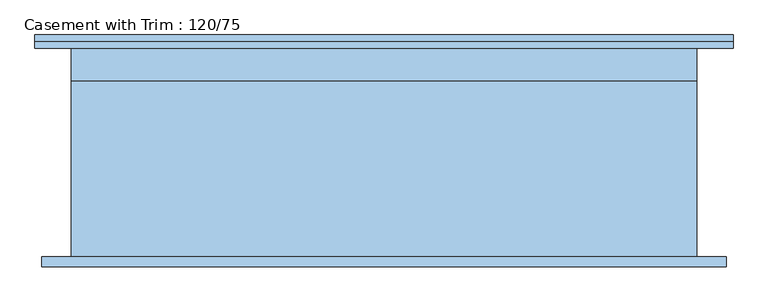
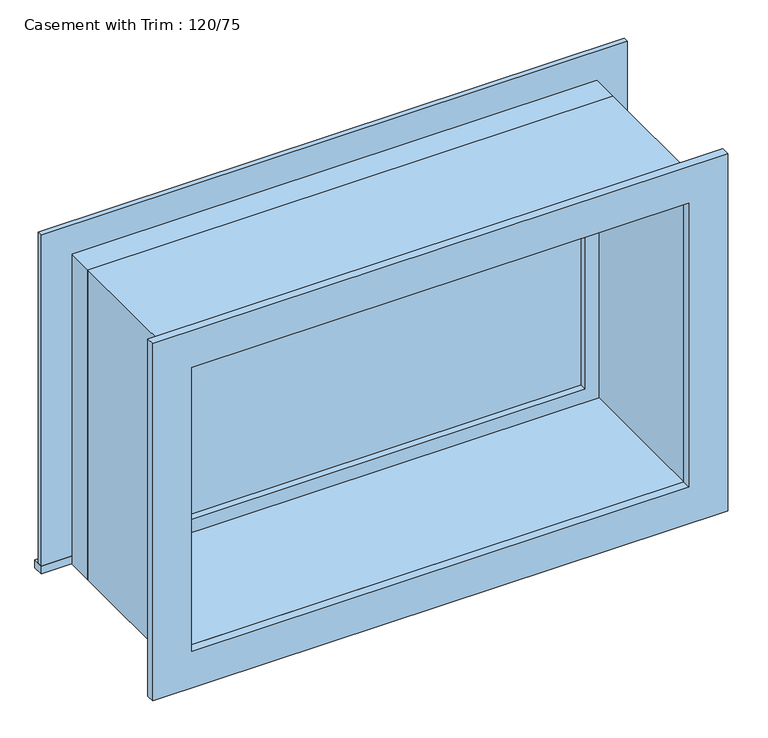
"""IFC4 building model written with IfcOpenShell, lengths in millimetres: window geometry, Casement with Trim : 120/75."""

import ifcopenshell
import ifcopenshell.guid

model = None  # the IFC model being written
_history = None  # IfcOwnerHistory: only IFC2X3 demands one
_inside = {}  # id of a spatial element -> (the spatial element, [elements in it])
_under = {}  # id of a project, library or spatial element -> (it, [spatial elements below it])
_declared = {}  # id of a project -> (the project, [libraries it declares])
_typed = {}  # id of a type object -> (the type object, [elements of that type])
_made_of = {}  # id of a material, layer set ... -> (it, [elements and type objects made of it])


def new_model(schema):
    """Start an empty IFC model of exactly this schema.

    Asked for "IFC4X3", IfcOpenShell would pick the latest addendum, in which some entities
    have other attributes; the version numbers below select the first issue.
    IFC2X3 requires an IfcOwnerHistory on every rooted entity: one is made here for all.
    """
    global model, _history
    if schema == "IFC4X3":
        model = ifcopenshell.file(schema_version=(4, 3, 0, 0))
    else:
        model = ifcopenshell.file(schema=schema)
    _inside.clear()
    _under.clear()
    _declared.clear()
    _typed.clear()
    _made_of.clear()
    _history = None
    if model.schema == "IFC2X3":
        org = make("IfcOrganization", Name="unknown")
        user = make(
            "IfcPersonAndOrganization",
            ThePerson=make("IfcPerson", FamilyName="unknown"),
            TheOrganization=org,
        )
        app = make(
            "IfcApplication",
            ApplicationDeveloper=org,
            Version="unknown",
            ApplicationFullName="unknown",
            ApplicationIdentifier="unknown",
        )
        _history = make(
            "IfcOwnerHistory",
            OwningUser=user,
            OwningApplication=app,
            ChangeAction="ADDED",
            CreationDate=0,
        )
    return model


def make(cls, **values):
    """One entity of the class cls with the attributes given. An attribute that is None is left unset."""
    return model.create_entity(
        cls, **{name: value for name, value in values.items() if value is not None}
    )


def rooted(cls, **values):
    """An entity with a GlobalId (a new one), such as an element, a storey or a relation."""
    return make(cls, GlobalId=ifcopenshell.guid.new(), OwnerHistory=_history, **values)


def si_unit(unit_type, name, prefix=None):
    """IfcSIUnit, for example si_unit("LENGTHUNIT", "METRE", prefix="MILLI")."""
    return make("IfcSIUnit", UnitType=unit_type, Prefix=prefix, Name=name)


def assignment(units):
    """IfcUnitAssignment: the units of a project."""
    return None if units is None else make("IfcUnitAssignment", Units=units)


def point(xyz):
    """IfcCartesianPoint."""
    return None if xyz is None else make("IfcCartesianPoint", Coordinates=xyz)


def direction(xyz):
    """IfcDirection."""
    return None if xyz is None else make("IfcDirection", DirectionRatios=xyz)


def frame(location, z_axis=None, x_axis=None):
    """IfcAxis2Placement3D, a coordinate frame: its origin and axes. An axis left out is left unset."""
    return make(
        "IfcAxis2Placement3D",
        Location=point(location),
        Axis=direction(z_axis),
        RefDirection=direction(x_axis),
    )


def origin():
    """The frame at (0, 0, 0) with its axes left unset."""
    return frame((0.0, 0.0, 0.0))


def place(relative_to, where):
    """IfcLocalPlacement: puts the frame where relative to a parent placement (None: the world)."""
    return make(
        "IfcLocalPlacement", PlacementRelTo=relative_to, RelativePlacement=where
    )


def context(
    kind, dimensions, precision=None, world=None, true_north=None, identifier=None
):
    """IfcGeometricRepresentationContext, for example the 3D "Model" context."""
    return make(
        "IfcGeometricRepresentationContext",
        ContextIdentifier=identifier,
        ContextType=kind,
        CoordinateSpaceDimension=dimensions,
        Precision=precision,
        WorldCoordinateSystem=world,
        TrueNorth=true_north,
    )


def project(units=None, contexts=None):
    """IfcProject with its units and contexts."""
    return rooted(
        "IfcProject",
        Name="project",
        RepresentationContexts=contexts,
        UnitsInContext=assignment(units),
    )


def spatial(cls, under=None, at=None, **own):
    """A site, building, storey or space (cls), placed at a placement, below another one or the project."""
    s = rooted(cls, ObjectPlacement=at, **own)
    if under is not None:
        _under.setdefault(under.id(), (under, []))[1].append(s)
    return s


def polyline(points):
    """IfcPolyline through the points."""
    return make("IfcPolyline", Points=[point(p) for p in points])


def outline(outer, holes=None, kind="AREA"):
    """IfcArbitraryClosedProfileDef: a profile drawn as a closed curve; with holes, ...WithVoids."""
    if holes is None:
        return make("IfcArbitraryClosedProfileDef", ProfileType=kind, OuterCurve=outer)
    return make(
        "IfcArbitraryProfileDefWithVoids",
        ProfileType=kind,
        OuterCurve=outer,
        InnerCurves=holes,
    )


def extrude(swept, where, along, depth):
    """IfcExtrudedAreaSolid: the profile swept, set in the frame where, extruded along a direction by depth."""
    return make(
        "IfcExtrudedAreaSolid",
        SweptArea=swept,
        Position=where,
        ExtrudedDirection=direction(along),
        Depth=depth,
    )


def shape(context_of_items, identifier, shape_type, items):
    """IfcShapeRepresentation: the items that make up one representation, for example the "Body"."""
    return make(
        "IfcShapeRepresentation",
        ContextOfItems=context_of_items,
        RepresentationIdentifier=identifier,
        RepresentationType=shape_type,
        Items=items,
    )


def source(mapping_origin, context_of_items, identifier, shape_type, items):
    """IfcRepresentationMap: a shape defined once, which mapped items show again and again."""
    return make(
        "IfcRepresentationMap",
        MappingOrigin=mapping_origin,
        MappedRepresentation=shape(context_of_items, identifier, shape_type, items),
    )


def transform(
    local_origin,
    x_axis=None,
    y_axis=None,
    z_axis=None,
    scale=None,
    scale2=None,
    scale3=None,
    uniform=True,
):
    """IfcCartesianTransformationOperator3D, or its non-uniform kind. x_axis, y_axis, z_axis: its Axis1, 2, 3."""
    if uniform:
        return make(
            "IfcCartesianTransformationOperator3D",
            Axis1=direction(x_axis),
            Axis2=direction(y_axis),
            LocalOrigin=point(local_origin),
            Scale=scale,
            Axis3=direction(z_axis),
        )
    return make(
        "IfcCartesianTransformationOperator3DnonUniform",
        Axis1=direction(x_axis),
        Axis2=direction(y_axis),
        LocalOrigin=point(local_origin),
        Scale=scale,
        Axis3=direction(z_axis),
        Scale2=scale2,
        Scale3=scale3,
    )


def mapped(mapping_source, mapping_target):
    """IfcMappedItem: shows the shape of a source again, moved by a transform."""
    return make(
        "IfcMappedItem", MappingSource=mapping_source, MappingTarget=mapping_target
    )


def made_of(thing, what):
    """Note that an element or type object is made of a material, layer set ...; save() writes the relation."""
    if what is not None:
        _made_of.setdefault(what.id(), (what, []))[1].append(thing)
    return thing


def element(
    cls,
    number,
    at=None,
    inside=None,
    cuts=None,
    type_object=None,
    material=None,
    context=None,
    identifier="Body",
    shape_type=None,
    held_by="IfcProductDefinitionShape",
    body=None,
    shapes=None,
    **own,
):
    """One element of the class cls, such as IfcWall. Its Tag is "e" and its number.

    at: its placement. inside: the storey or other place that contains it. cuts: it is an
    opening in that element (IfcRelVoidsElement). A single representation is given by context,
    identifier, shape_type and body (its items); several are given by shapes. held_by: the class
    of the entity that holds the representations. save() writes the other relations.
    """
    e = rooted(cls, Tag="e%d" % number, ObjectPlacement=at, **own)
    if body is not None:
        shapes = [shape(context, identifier, shape_type, body)]
    if shapes is not None:
        e.Representation = make(held_by, Representations=shapes)
    if inside is not None:
        _inside.setdefault(inside.id(), (inside, []))[1].append(e)
    if cuts is not None:
        rooted(
            "IfcRelVoidsElement", RelatingBuildingElement=cuts, RelatedOpeningElement=e
        )
    if type_object is not None:
        _typed.setdefault(type_object.id(), (type_object, []))[1].append(e)
    return made_of(e, material)


def aggregate(whole, parts):
    """IfcRelAggregates: a whole, such as a stair, and the parts it consists of."""
    return rooted("IfcRelAggregates", RelatingObject=whole, RelatedObjects=parts)


def save(model, path):
    """Write the relations noted so far, then the file.

    IfcRelAggregates (storeys below a building ...), IfcRelContainedInSpatialStructure (elements
    in a storey), IfcRelDefinesByType, IfcRelAssociatesMaterial and IfcRelDeclares: one each for
    every whole, place, type object, material and project.
    """
    for whole, parts in _under.values():
        aggregate(whole, parts)
    for where, things in _inside.values():
        rooted(
            "IfcRelContainedInSpatialStructure",
            RelatedElements=things,
            RelatingStructure=where,
        )
    for kind, things in _typed.values():
        rooted("IfcRelDefinesByType", RelatedObjects=things, RelatingType=kind)
    for what, things in _made_of.values():
        rooted("IfcRelAssociatesMaterial", RelatedObjects=things, RelatingMaterial=what)
    for by, libraries in _declared.values():
        rooted("IfcRelDeclares", RelatingContext=by, RelatedDefinitions=libraries)
    model.write(path)


def casement_with_trim_120_75_effea6a0(model_context):
    return source(origin(), model_context, "Body", "SweptSolid", [
        extrude(outline(polyline([(-669.85, 225.4), (669.85, 225.4), (669.85, 200.0), (-669.85, 200.0), (-669.85, 225.4)])), frame((0.0, 0.0, 914.4), z_axis=(0.0, 0.0, 1.0), x_axis=(1.0, 0.0, 0.0)), (0.0, 0.0, 1.0), 19.05),
        extrude(outline(polyline([(1645.35, -580.95), (1645.35, 580.95), (933.45, 580.95), (933.45, 669.85), (1734.25, 669.85), (1734.25, -669.85), (933.45, -669.85), (933.45, -580.95), (1645.35, -580.95)])), frame((0.0, 200.0, 0.0), z_axis=(0.0, 1.0, 0.0), x_axis=(0.0, 0.0, 1.0)), (0.0, 0.0, 1.0), 12.7),
        extrude(outline(polyline([(1721.55, 657.15), (1721.55, -657.15), (857.25, -657.15), (857.25, 657.15), (1721.55, 657.15)]), holes=[polyline([(1632.65, 568.25), (946.15, 568.25), (946.15, -568.25), (1632.65, -568.25), (1632.65, 568.25)])]), frame((0.0, -219.05, 0.0), z_axis=(0.0, 1.0, 0.0), x_axis=(0.0, 0.0, 1.0)), (0.0, 0.0, 1.0), 19.05),
        extrude(outline(polyline([(536.5, 152.375), (-536.5, 152.375), (-536.5, 165.075), (536.5, 165.075), (536.5, 152.375)])), frame((0.0, 0.0, 977.9), z_axis=(0.0, 0.0, 1.0), x_axis=(1.0, 0.0, 0.0)), (0.0, 0.0, 1.0), 623.0),
        extrude(outline(polyline([(1645.35, -580.95), (933.45, -580.95), (933.45, 580.95), (1645.35, 580.95), (1645.35, -580.95)]), holes=[polyline([(1600.9, -536.5), (1600.9, 536.5), (977.9, 536.5), (977.9, -536.5), (1600.9, -536.5)])]), frame((0.0, 136.5, 0.0), z_axis=(0.0, 1.0, 0.0), x_axis=(0.0, 0.0, 1.0)), (0.0, 0.0, 1.0), 44.45),
        extrude(outline(polyline([(1664.4, -600.0), (914.4, -600.0), (914.4, 600.0), (1664.4, 600.0), (1664.4, -600.0)]), holes=[polyline([(1632.65, -568.25), (1632.65, 568.25), (946.15, 568.25), (946.15, -568.25), (1632.65, -568.25)])]), frame((0.0, -200.0, 0.0), z_axis=(0.0, 1.0, 0.0), x_axis=(0.0, 0.0, 1.0)), (0.0, 0.0, 1.0), 336.5),
        extrude(outline(polyline([(1664.4, 600.0), (1664.4, -600.0), (914.4, -600.0), (914.4, 600.0), (1664.4, 600.0)]), holes=[polyline([(1645.35, 580.95), (933.45, 580.95), (933.45, -580.95), (1645.35, -580.95), (1645.35, 580.95)])]), frame((0.0, 136.5, 0.0), z_axis=(0.0, 1.0, 0.0), x_axis=(0.0, 0.0, 1.0)), (0.0, 0.0, 1.0), 63.5),
    ])


if __name__ == "__main__":
    model = new_model("IFC4")
    model_context = context("Model", 3, world=origin())
    ifc_project = project(units=[si_unit("LENGTHUNIT", "METRE", prefix="MILLI")], contexts=[model_context])
    site = spatial("IfcSite", under=ifc_project)
    building = spatial("IfcBuilding", under=site)
    placement = place(None, origin())
    casement_with_trim_120_75_shape = casement_with_trim_120_75_effea6a0(model_context)
    element("IfcWindow", 1, ObjectType="Casement with Trim : 120/75", at=placement, inside=building, context=model_context, shape_type="MappedRepresentation", body=[
        mapped(casement_with_trim_120_75_shape, transform((0.0, 0.0, 0.0), x_axis=(1.0, 0.0, 0.0), y_axis=(0.0, 1.0, 0.0), z_axis=(0.0, 0.0, 1.0))),
    ])
    save(model, "model.ifc")
